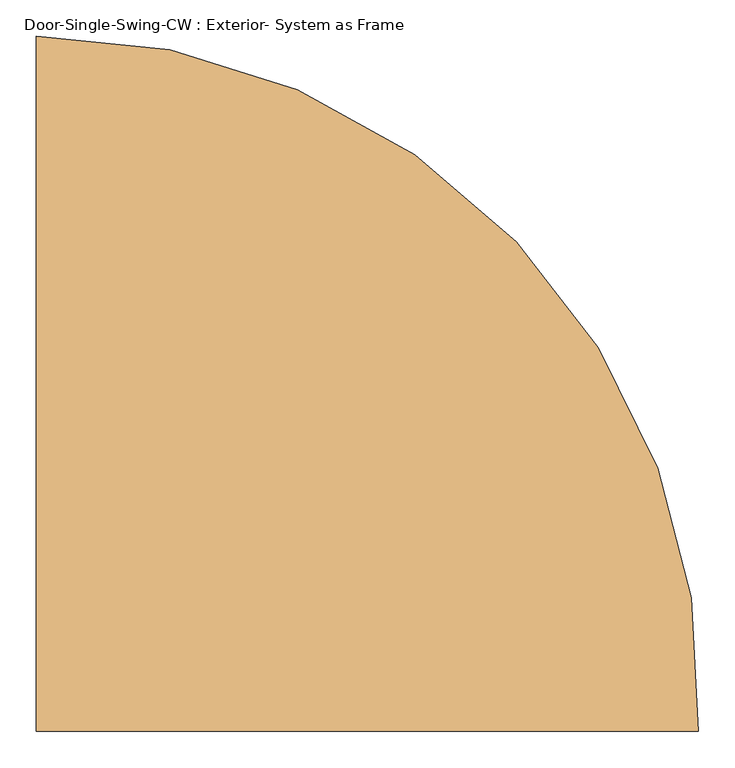
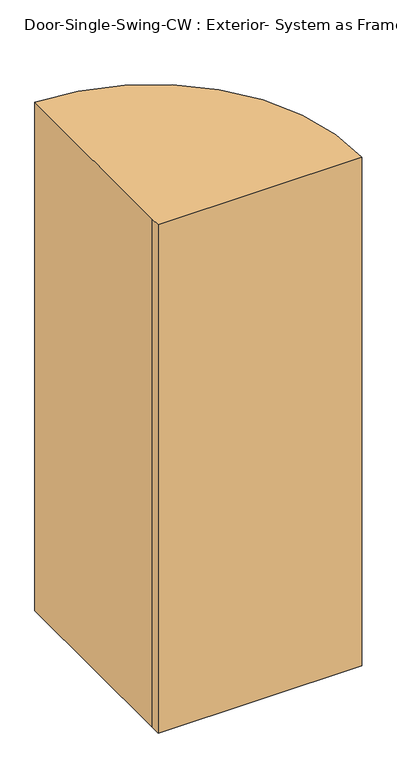
"""IFC4 building model written with IfcOpenShell, lengths in millimetres: door geometry, Door-Single-Swing-CW : Exterior- System as Frame."""

from ifc_helpers import new_model, si_unit, point, frame_2d, origin, origin_with_axes, place, context, project, spatial, polyline, circle_curve, trimmed, segment, composite_curve, outline, extrude, source, transform, mapped, element, save


def door_single_swing_cw_exterior_system_as_frame_12871d28(model_context):
    return source(origin(), model_context, "Body", "SweptSolid", [
        extrude(outline(composite_curve([segment(polyline([(-457.2, -19.05), (-457.2, 25.4), (-457.2, 939.8)]), True, "CONTINUOUS"), segment(trimmed(circle_curve(frame_2d((-457.2, 25.4)), 914.4), [point((-457.2, 939.8))], [point((456.1189791, -19.05))], False, "CARTESIAN"), True, "CONTINUOUS"), segment(polyline([(456.1189791, -19.05), (-457.2, -19.05)]), True, "CONTINUOUS")], self_intersect=False)), origin_with_axes(), (0.0, 0.0, 1.0), 2413.0),
    ])


if __name__ == "__main__":
    model = new_model("IFC4")
    model_context = context("Model", 3, world=origin())
    ifc_project = project(units=[si_unit("LENGTHUNIT", "METRE", prefix="MILLI")], contexts=[model_context])
    site = spatial("IfcSite", under=ifc_project)
    building = spatial("IfcBuilding", under=site)
    placement = place(None, origin())
    door_single_swing_cw_exterior_system_as_frame_shape = door_single_swing_cw_exterior_system_as_frame_12871d28(model_context)
    element("IfcDoor", 1, ObjectType="Door-Single-Swing-CW : Exterior- System as Frame", at=placement, inside=building, context=model_context, shape_type="MappedRepresentation", body=[
        mapped(door_single_swing_cw_exterior_system_as_frame_shape, transform((0.0, 0.0, 0.0), x_axis=(1.0, 0.0, 0.0), y_axis=(0.0, 1.0, 0.0), z_axis=(0.0, 0.0, 1.0))),
    ])
    save(model, "model.ifc")
